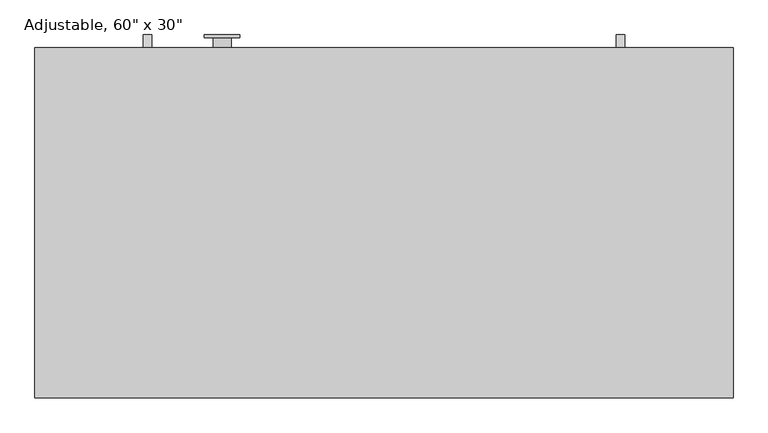
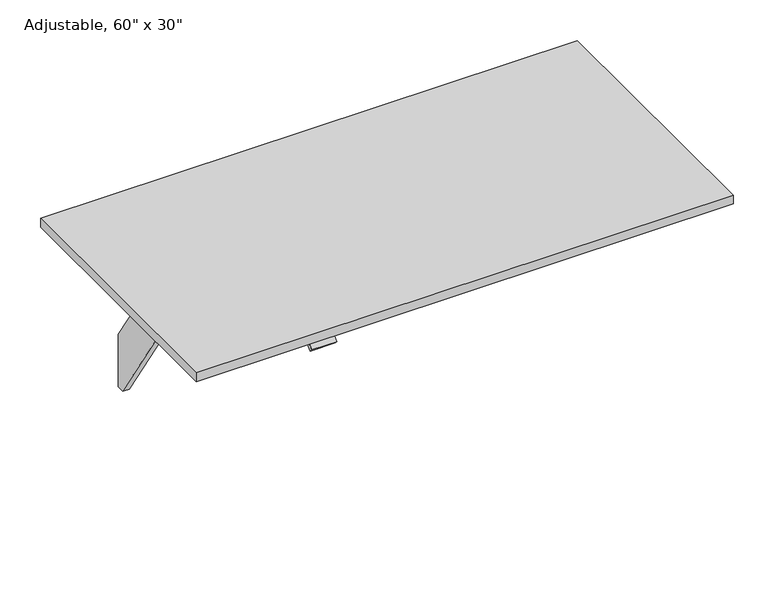
"""IFC4 building model written with IfcOpenShell, lengths in millimetres: furniture geometry."""

from ifc_helpers import new_model, si_unit, point, frame, frame_2d, origin, place, context, project, spatial, polyline, circle_curve, trimmed, segment, composite_curve, outline, extrude, source, transform, mapped, element, save
from ifc_brep_helpers import plane_surface, cylinder_surface, revolved_surface, advanced_brep


def furniture_ecb3b3c7(model_context):
    return source(origin(), model_context, "Body", "SolidModel", [
        extrude(outline(polyline([(29.2199219, 153.5921541), (8.6276198, 153.5921541), (-345.3046137, 698.6), (-477.3090911, 698.6), (-485.7513898, 711.6), (-85.1019822, 711.6), (-93.5442809, 698.6), (-226.0682844, 698.6), (29.2199219, 305.4906355), (29.2199219, 153.5921541)])), frame((129.1142463, 0.0, 0.0), z_axis=(1.0, 0.0, 0.0), x_axis=(0.0, 1.0, 0.0)), (0.0, 0.0, 1.0), 18.0),
        extrude(outline(composite_curve([segment(polyline([(-733.1055966, 691.708916), (-717.7537239, 704.5906666)]), True, "CONTINUOUS"), segment(trimmed(circle_curve(frame_2d((-708.1119098, 693.1)), 15.0), [point((-717.7537239, 704.5906666))], [point((-708.1119098, 708.1))], False, "CARTESIAN"), True, "CONTINUOUS"), segment(polyline([(-708.1119098, 708.1), (-703.2331661, 708.1), (-703.2331661, 711.6), (-664.784231, 711.6), (-664.784231, 708.1), (-659.001686, 708.1), (-659.001686, 697.1), (-707.7479396, 697.1)]), True, "CONTINUOUS"), segment(trimmed(circle_curve(frame_2d((-707.7479396, 692.1)), 5.0), [point((-707.7479396, 697.1))], [point((-710.9618776, 695.9302222))], True, "CARTESIAN"), True, "CONTINUOUS"), segment(polyline([(-710.9618776, 695.9302222), (-726.0349329, 683.2824271), (-733.1055966, 691.708916)]), True, "CONTINUOUS")], self_intersect=False)), frame((-775.6431337, 0.0, 0.0), z_axis=(1.0, 0.0, 0.0), x_axis=(0.0, 1.0, 0.0)), (0.0, 0.0, 1.0), 68.58),
        advanced_brep(
        [(-679.7457838, -171.1428681, 364.5778173), (-679.7457838, -171.1428681, 711.6), (-679.7457838, -209.1312877, 711.6), (-679.7457838, -209.1312877, 700.4375), (-679.7457838, -193.3960503, 691.3527565), (-679.7457838, -190.4851047, 691.3527565), (-679.7457838, -190.4851047, 365.4712483), (-679.7457838, 18.612113, 365.4712483), (-679.7457838, 18.612113, 565.4962483), (-679.7457838, 23.285119, 565.4962483), (-679.7457838, 23.285119, 663.0278173), (-679.7457838, -0.6170974, 663.0278173), (-679.7457838, -0.6170974, 364.5778173), (-717.9457838, -171.1428681, 364.5778173), (-717.9457838, -0.6170974, 364.5778173), (-717.9457838, -0.6170974, 663.0278173), (-717.9457838, 23.285119, 663.0278173), (-717.9457838, 23.285119, 565.4962483), (-717.9457838, 18.612113, 565.4962483), (-717.9457838, 18.612113, 365.4712483), (-717.9457838, -190.4851047, 365.4712483), (-717.9457838, -190.4851047, 691.3527565), (-717.9457838, -193.3960503, 691.3527565), (-717.9457838, -209.1312877, 700.4375), (-717.9457838, -209.1312877, 711.6), (-717.9457838, -171.1428681, 711.6), (-736.5037099, 23.285119, 565.4962483), (-736.5037099, 29.2199219, 565.4962483), (-661.3665576, 29.2199219, 565.4962483), (-661.3665576, 23.285119, 565.4962483), (-736.5037099, 29.2199219, 678.865527), (-661.3665576, 29.2199219, 678.865527), (-736.5037099, 23.285119, 678.865527), (-661.3665576, 23.285119, 678.865527)],
        [
            (0, 1),
            (1, 2),
            (2, 3),
            (3, 4),
            (4, 5),
            (5, 6),
            (6, 7, circle_curve(frame((-679.7457838, -85.9364959, 365.4712483), z_axis=(1.0, 0.0, 0.0), x_axis=(0.0, 0.0, 1.0)), 104.5486088)),
            (7, 8),
            (8, 9),
            (9, 10),
            (10, 11),
            (11, 12),
            (12, 0, circle_curve(frame((-679.7457838, -85.8799828, 364.5778173), z_axis=(-1.0, 0.0, 0.0), x_axis=(0.0, 0.0, 1.0)), 85.2628854)),
            (13, 14, circle_curve(frame((-717.9457838, -85.8799828, 364.5778173), z_axis=(1.0, 0.0, 0.0), x_axis=(0.0, 0.0, 1.0)), 85.2628854)),
            (14, 15),
            (15, 16),
            (16, 17),
            (17, 18),
            (18, 19),
            (19, 20, circle_curve(frame((-717.9457838, -85.9364959, 365.4712483), z_axis=(-1.0, 0.0, 0.0), x_axis=(0.0, 0.0, 1.0)), 104.5486088)),
            (20, 21),
            (21, 22),
            (22, 23),
            (23, 24),
            (24, 25),
            (25, 13),
            (0, 13),
            (25, 1),
            (24, 2),
            (23, 3),
            (22, 4),
            (21, 5),
            (20, 6),
            (19, 7),
            (18, 8),
            (17, 26),
            (26, 27),
            (27, 28),
            (28, 29),
            (29, 9),
            (27, 30),
            (30, 31),
            (31, 28),
            (30, 32),
            (32, 33),
            (33, 31),
            (32, 26),
            (16, 10),
            (29, 33),
            (15, 11),
            (14, 12),
        ],
        [
            plane_surface(frame((-679.7457838, 29.2199219, 736.6), z_axis=(1.0, 0.0, 0.0), x_axis=(0.0, 1.0, 0.0))),
            plane_surface(frame((-717.9457838, 29.2199219, 736.6), z_axis=(-1.0, 0.0, 0.0), x_axis=(0.0, 1.0, 0.0))),
            plane_surface(frame((-679.7457838, -171.1428681, 364.5778173), z_axis=(0.0, 1.0, 0.0), x_axis=(-1.0, 0.0, 0.0))),
            plane_surface(frame((-679.7457838, -171.1428681, 711.6), z_axis=(0.0, 0.0, 1.0), x_axis=(-1.0, 0.0, 0.0))),
            plane_surface(frame((-679.7457838, -209.1312877, 711.6), z_axis=(0.0, -1.0, 0.0), x_axis=(-1.0, 0.0, 0.0))),
            plane_surface(frame((-679.7457838, -209.1312877, 700.4375), z_axis=(0.0, -0.4999999999999938, -0.8660254037844423), x_axis=(-1.0, 0.0, 0.0))),
            plane_surface(frame((-679.7457838, -193.3960503, 691.3527565), z_axis=(0.0, 0.0, -1.0), x_axis=(-1.0, 0.0, 0.0))),
            plane_surface(frame((-679.7457838, -190.4851047, 691.3527565), z_axis=(0.0, -1.0, 0.0), x_axis=(-1.0, 0.0, 0.0))),
            cylinder_surface(frame((-679.7457838, -85.9364959, 365.4712483), z_axis=(1.0, 0.0, 0.0), x_axis=(0.0, 0.0, 1.0)), 104.5486088),
            plane_surface(frame((-679.7457838, 18.612113, 365.4712483), z_axis=(0.0, 1.0, 0.0), x_axis=(-1.0, 0.0, 0.0))),
            plane_surface(frame((-679.7457838, 18.612113, 565.4962483), z_axis=(0.0, 0.0, -1.0), x_axis=(-1.0, 0.0, 0.0))),
            plane_surface(frame((-679.7457838, 29.2199219, 565.4962483), z_axis=(0.0, 1.0, 0.0), x_axis=(-1.0, 0.0, 0.0))),
            plane_surface(frame((-679.7457838, 29.2199219, 678.865527), z_axis=(0.0, 0.0, 1.0), x_axis=(-1.0, 0.0, 0.0))),
            plane_surface(frame((-679.7457838, 23.285119, 678.865527), z_axis=(0.0, -1.0, 0.0), x_axis=(-1.0, 0.0, 0.0))),
            plane_surface(frame((-679.7457838, 23.285119, 663.0278173), z_axis=(0.0, 0.0, 1.0), x_axis=(-1.0, 0.0, 0.0))),
            plane_surface(frame((-679.7457838, -0.6170974, 663.0278173), z_axis=(0.0, -1.0, 0.0), x_axis=(-1.0, 0.0, 0.0))),
            revolved_surface(polyline([(-717.9457838, -85.8799828, 449.8407027), (-679.7457838, -85.8799828, 449.8407027)]), (-679.7457838, -85.8799828, 364.5778173), (-1.0, 0.0, 0.0)),
            plane_surface(frame((-736.5037099, 29.2199219, 565.4962483), z_axis=(-1.0, 0.0, 0.0), x_axis=(0.0, -1.0, 0.0))),
            plane_surface(frame((-661.3665576, 29.2199219, 678.865527), z_axis=(1.0, 0.0, 0.0), x_axis=(0.0, -1.0, 0.0))),
        ],
        [
            (0, [[1, 2, 3, 4, 5, 6, 7, 8, 9, 10, 11, 12, 13]]),
            (1, [[14, 15, 16, 17, 18, 19, 20, 21, 22, 23, 24, 25, 26]]),
            (2, [[-1, 27, -26, 28]]),
            (3, [[-2, -28, -25, 29]]),
            (4, [[-3, -29, -24, 30]]),
            (5, [[-4, -30, -23, 31]]),
            (6, [[-5, -31, -22, 32]]),
            (7, [[-6, -32, -21, 33]]),
            (8, [[-7, -33, -20, 34]]),
            (9, [[-8, -34, -19, 35]]),
            (10, [[-35, -18, 36, 37, 38, 39, 40, -9]]),
            (11, [[-38, 41, 42, 43]]),
            (12, [[-42, 44, 45, 46]]),
            (13, [[-45, 47, -36, -17, 48, -10, -40, 49]]),
            (14, [[-11, -48, -16, 50]]),
            (15, [[-12, -50, -15, 51]]),
            (16, [[-13, -51, -14, -27]]),
            (17, [[-41, -37, -47, -44]]),
            (18, [[-43, -46, -49, -39]]),
        ],
    ),
        extrude(outline(polyline([(-212.0399277, 636.99764), (-222.7921538, 653.5546163), (-221.9144617, 654.4323085), (-209.8037968, 635.78352), (-304.5111146, 635.78352), (-348.0214234, 702.78352), (-365.36221, 702.78352), (-365.36221, 703.99764), (-347.36221, 703.99764), (-303.8519012, 636.99764), (-212.0399277, 636.99764)])), frame((-846.6531337, 0.0, 0.0), z_axis=(1.0, 0.0, 0.0), x_axis=(0.0, 1.0, 0.0)), (0.0, 0.0, 1.0), 975.76738),
        extrude(outline(polyline([(29.2199219, 153.5921541), (8.6276198, 153.5921541), (-345.3046137, 698.6), (-477.3090911, 698.6), (-485.7513898, 711.6), (-85.1019822, 711.6), (-93.5442809, 698.6), (-226.0682844, 698.6), (29.2199219, 305.4906355), (29.2199219, 153.5921541)])), frame((-864.6531337, 0.0, 0.0), z_axis=(1.0, 0.0, 0.0), x_axis=(0.0, 1.0, 0.0)), (0.0, 0.0, 1.0), 18.0),
        extrude(outline(polyline([(-1092.1944437, -734.501686), (-1092.1944437, 2.098314), (374.6555563, 2.098314), (374.6555563, -734.501686), (-1092.1944437, -734.501686)])), frame((0.0, 0.0, 711.6), z_axis=(0.0, 0.0, 1.0), x_axis=(1.0, 0.0, 0.0)), (0.0, 0.0, 1.0), 25.0),
    ])


if __name__ == "__main__":
    model = new_model("IFC4")
    model_context = context("Model", 3, world=origin())
    ifc_project = project(units=[si_unit("LENGTHUNIT", "METRE", prefix="MILLI")], contexts=[model_context])
    site = spatial("IfcSite", under=ifc_project)
    building = spatial("IfcBuilding", under=site)
    placement = place(None, origin())
    furniture_shape = furniture_ecb3b3c7(model_context)
    element("IfcFurniture", 1, ObjectType="Adjustable, 60\" x 30\"", at=placement, inside=building, context=model_context, shape_type="MappedRepresentation", body=[
        mapped(furniture_shape, transform((0.0, 0.0, 0.0), x_axis=(1.0, 0.0, 0.0), y_axis=(0.0, 1.0, 0.0), z_axis=(0.0, 0.0, 1.0))),
    ])
    save(model, "model.ifc")
